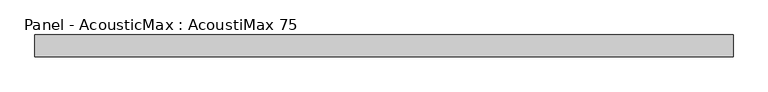
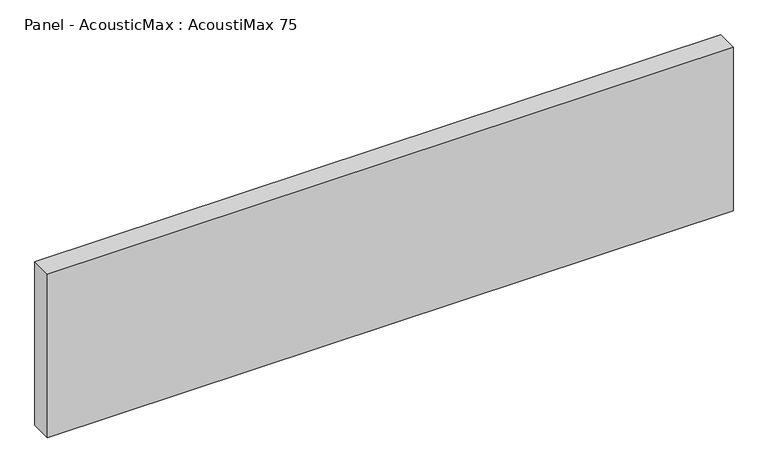
"""IFC4 building model written with IfcOpenShell, lengths in millimetres: plate geometry, Panel - AcousticMax : AcoustiMax 75."""

from ifc_helpers import new_model, si_unit, origin, origin_with_axes, place, context, project, spatial, polyline, outline, extrude, source, transform, mapped, element, save


def panel_acousticmax_acoustimax_75_1cee8faf(model_context):
    return source(origin(), model_context, "Body", "SweptSolid", [
        extrude(outline(polyline([(1191.0, -37.5), (-1190.5, -37.5), (-1190.5, 37.5), (1191.0, 37.5), (1191.0, -37.5)])), origin_with_axes(), (0.0, 0.0, 1.0), 600.0),
    ])


if __name__ == "__main__":
    model = new_model("IFC4")
    model_context = context("Model", 3, world=origin())
    ifc_project = project(units=[si_unit("LENGTHUNIT", "METRE", prefix="MILLI")], contexts=[model_context])
    site = spatial("IfcSite", under=ifc_project)
    building = spatial("IfcBuilding", under=site)
    placement = place(None, origin())
    panel_acousticmax_acoustimax_75_shape = panel_acousticmax_acoustimax_75_1cee8faf(model_context)
    element("IfcPlate", 1, ObjectType="Panel - AcousticMax : AcoustiMax 75", at=placement, inside=building, context=model_context, shape_type="MappedRepresentation", body=[
        mapped(panel_acousticmax_acoustimax_75_shape, transform((0.0, 0.0, 0.0), x_axis=(1.0, 0.0, 0.0), y_axis=(0.0, 1.0, 0.0), z_axis=(0.0, 0.0, 1.0))),
    ])
    save(model, "model.ifc")
